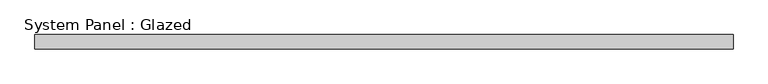
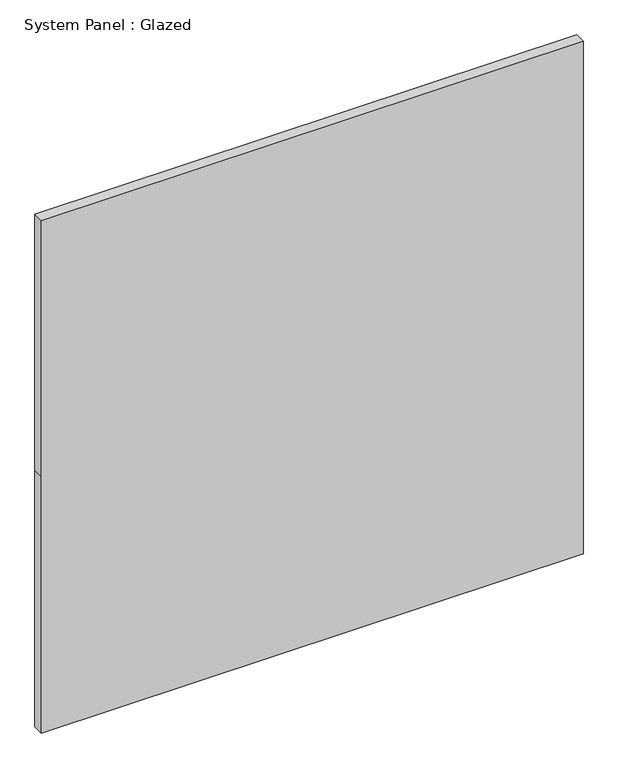
"""IFC4 building model written with IfcOpenShell, lengths in millimetres: plate geometry, System Panel : Glazed."""

from ifc_helpers import new_model, si_unit, frame, origin, place, context, project, spatial, polyline, outline, extrude, source, transform, mapped, element, save


def system_panel_glazed_29c3d9c8(model_context):
    return source(origin(), model_context, "Body", "SweptSolid", [
        extrude(outline(polyline([(0.0, -609.6), (0.0, 609.6), (609.6, 609.6), (1219.2, 609.6), (1219.2, -609.6), (609.6, -609.6), (0.0, -609.6)])), frame((0.0, 19.05, 0.0), z_axis=(0.0, 1.0, 0.0), x_axis=(0.0, 0.0, 1.0)), (0.0, 0.0, 1.0), 25.4),
    ])


if __name__ == "__main__":
    model = new_model("IFC4")
    model_context = context("Model", 3, world=origin())
    ifc_project = project(units=[si_unit("LENGTHUNIT", "METRE", prefix="MILLI")], contexts=[model_context])
    site = spatial("IfcSite", under=ifc_project)
    building = spatial("IfcBuilding", under=site)
    placement = place(None, origin())
    system_panel_glazed_shape = system_panel_glazed_29c3d9c8(model_context)
    element("IfcPlate", 1, ObjectType="System Panel : Glazed", at=placement, inside=building, context=model_context, shape_type="MappedRepresentation", body=[
        mapped(system_panel_glazed_shape, transform((0.0, 0.0, 0.0), x_axis=(1.0, 0.0, 0.0), y_axis=(0.0, 1.0, 0.0), z_axis=(0.0, 0.0, 1.0))),
    ])
    save(model, "model.ifc")
